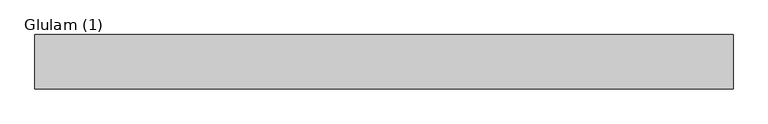
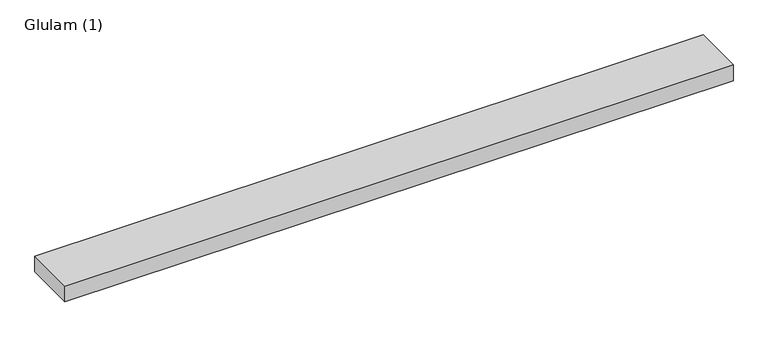
"""IFC4 building model written with IfcOpenShell, lengths in millimetres: beam geometry, Glulam (1)."""

from ifc_helpers import new_model, si_unit, frame, origin, place, context, project, spatial, polyline, outline, extrude, source, transform, mapped, element, save


def glulam_1_f7bbb1f5(model_context):
    return source(origin(), model_context, "Body", "SweptSolid", [
        extrude(outline(polyline([(903.5000006, 70.0), (903.5000006, -70.0), (-895.0315113, -70.0), (-895.0315113, 70.0), (903.5000006, 70.0)])), frame((0.0, 0.0, -22.5), z_axis=(0.0, 0.0, 1.0), x_axis=(1.0, 0.0, 0.0)), (0.0, 0.0, 1.0), 45.0),
    ])


if __name__ == "__main__":
    model = new_model("IFC4")
    model_context = context("Model", 3, world=origin())
    ifc_project = project(units=[si_unit("LENGTHUNIT", "METRE", prefix="MILLI")], contexts=[model_context])
    site = spatial("IfcSite", under=ifc_project)
    building = spatial("IfcBuilding", under=site)
    placement = place(None, origin())
    glulam_1_shape = glulam_1_f7bbb1f5(model_context)
    element("IfcBeam", 1, ObjectType="Glulam (1)", at=placement, inside=building, context=model_context, shape_type="MappedRepresentation", body=[
        mapped(glulam_1_shape, transform((0.0, 0.0, 0.0), x_axis=(1.0, 0.0, 0.0), y_axis=(0.0, 1.0, 0.0), z_axis=(0.0, 0.0, 1.0))),
    ])
    save(model, "model.ifc")
